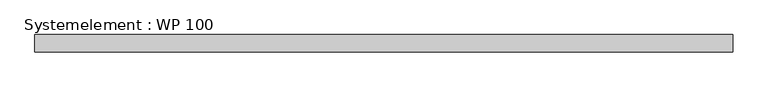
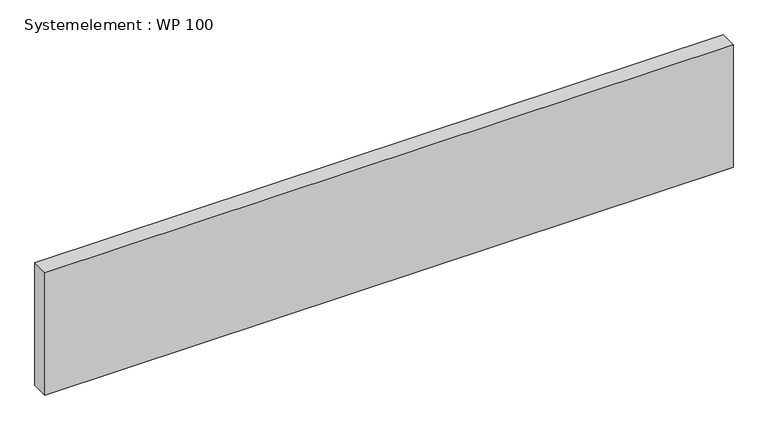
"""IFC4 building model written with IfcOpenShell, lengths in millimetres: plate geometry, Systemelement : WP 100."""

from ifc_helpers import new_model, si_unit, origin, origin_with_axes, place, context, project, spatial, polyline, outline, extrude, source, transform, mapped, element, save


def systemelement_wp_100_b4a213f4(model_context):
    return source(origin(), model_context, "Body", "SweptSolid", [
        extrude(outline(polyline([(2000.0, -100.0), (-2000.0, -100.0), (-2000.0, 0.0), (2000.0, 0.0), (2000.0, -100.0)])), origin_with_axes(), (0.0, 0.0, 1.0), 751.6147161),
    ])


if __name__ == "__main__":
    model = new_model("IFC4")
    model_context = context("Model", 3, world=origin())
    ifc_project = project(units=[si_unit("LENGTHUNIT", "METRE", prefix="MILLI")], contexts=[model_context])
    site = spatial("IfcSite", under=ifc_project)
    building = spatial("IfcBuilding", under=site)
    placement = place(None, origin())
    systemelement_wp_100_shape = systemelement_wp_100_b4a213f4(model_context)
    element("IfcPlate", 1, ObjectType="Systemelement : WP 100", at=placement, inside=building, context=model_context, shape_type="MappedRepresentation", body=[
        mapped(systemelement_wp_100_shape, transform((0.0, 0.0, 0.0), x_axis=(1.0, 0.0, 0.0), y_axis=(0.0, 1.0, 0.0), z_axis=(0.0, 0.0, 1.0))),
    ])
    save(model, "model.ifc")
